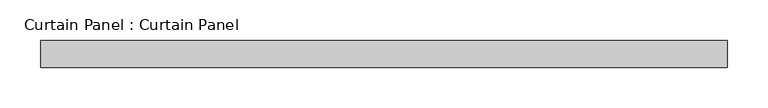
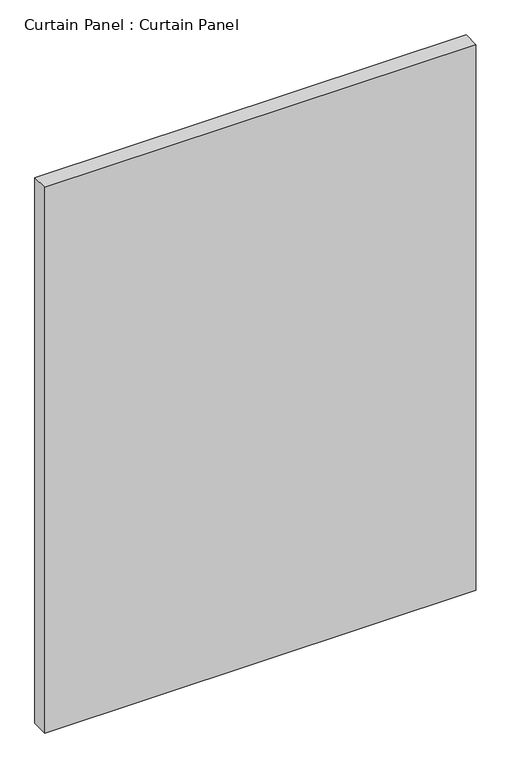
"""IFC4 building model written with IfcOpenShell, lengths in millimetres: plate geometry, Curtain Panel : Curtain Panel."""

from ifc_helpers import new_model, si_unit, frame, origin, place, context, project, spatial, polyline, outline, extrude, source, transform, mapped, element, save


def curtain_panel_curtain_panel_fe76b875(model_context):
    return source(origin(), model_context, "Body", "SweptSolid", [
        extrude(outline(polyline([(-94420.2362237, 89423.4998987), (-95267.3873562, 89423.4998987), (-95267.3873562, 89456.8373987), (-94420.2362237, 89456.8373987), (-94420.2362237, 89423.4998987)])), frame((0.0, 0.0, 66.6798917), z_axis=(0.0, 0.0, 1.0), x_axis=(1.0, 0.0, 0.0)), (0.0, 0.0, 1.0), 1133.4701083),
    ])


if __name__ == "__main__":
    model = new_model("IFC4")
    model_context = context("Model", 3, world=origin())
    ifc_project = project(units=[si_unit("LENGTHUNIT", "METRE", prefix="MILLI")], contexts=[model_context])
    site = spatial("IfcSite", under=ifc_project)
    building = spatial("IfcBuilding", under=site)
    placement = place(None, origin())
    curtain_panel_curtain_panel_shape = curtain_panel_curtain_panel_fe76b875(model_context)
    element("IfcPlate", 1, ObjectType="Curtain Panel : Curtain Panel", at=placement, inside=building, context=model_context, shape_type="MappedRepresentation", body=[
        mapped(curtain_panel_curtain_panel_shape, transform((0.0, 0.0, 0.0), x_axis=(1.0, 0.0, 0.0), y_axis=(0.0, 1.0, 0.0), z_axis=(0.0, 0.0, 1.0))),
    ])
    save(model, "model.ifc")
